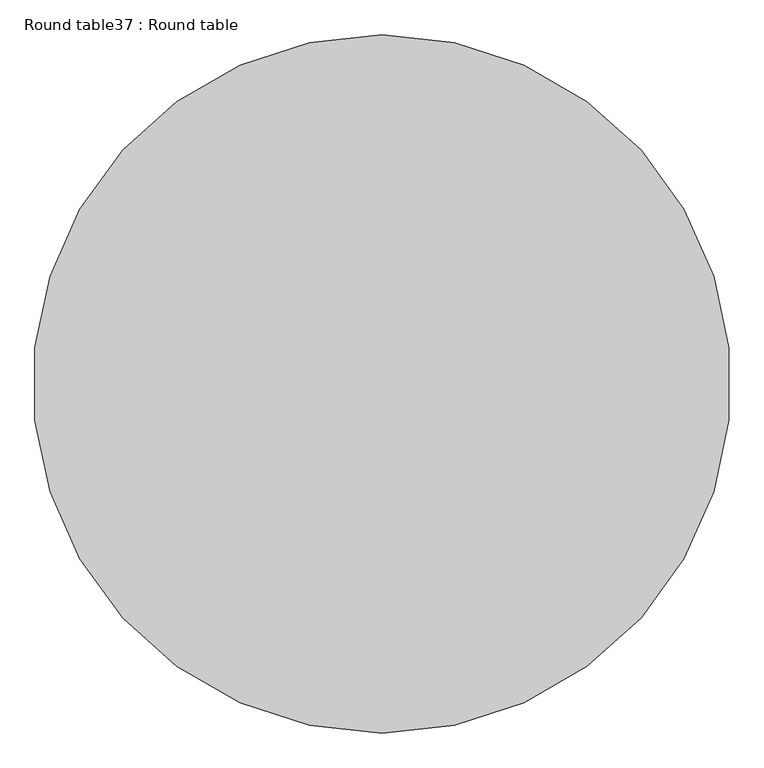
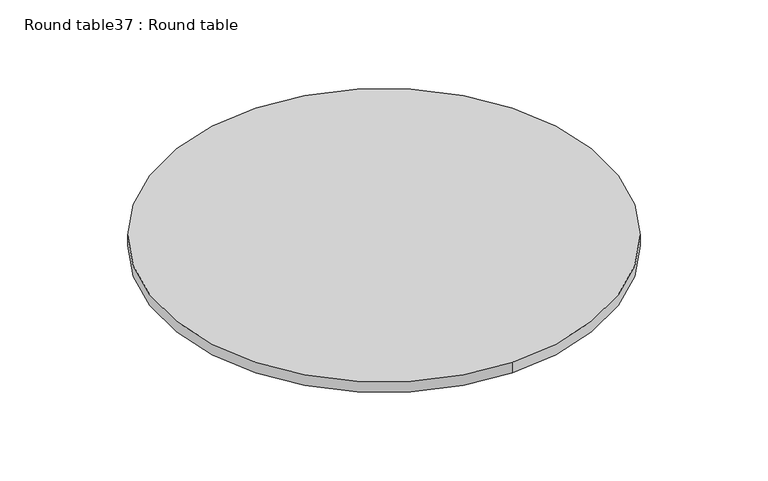
"""IFC4 building model written with IfcOpenShell, lengths in millimetres: furniture geometry, Round table37 : Round table."""

from ifc_helpers import new_model, si_unit, point, frame, frame_2d, origin, place, context, project, spatial, circle_curve, trimmed, segment, composite_curve, outline, extrude, source, transform, mapped, element, save


def round_table37_round_table_aa58ca70(model_context):
    return source(origin(), model_context, "Body", "SweptSolid", [
        extrude(outline(composite_curve([segment(trimmed(circle_curve(frame_2d((-120987.9333057, -63902.8957511)), 508.0), [point((-120987.9333057, -63394.8957511))], [point((-120987.9333057, -64410.8957511))], False, "CARTESIAN"), True, "CONTINUOUS"), segment(trimmed(circle_curve(frame_2d((-120987.9333057, -63902.8957511)), 508.0), [point((-120987.9333057, -64410.8957511))], [point((-120987.9333057, -63394.8957511))], False, "CARTESIAN"), True, "CONTINUOUS")], self_intersect=False)), frame((0.0, 0.0, 762.0), z_axis=(0.0, 0.0, 1.0), x_axis=(1.0, 0.0, 0.0)), (0.0, 0.0, 1.0), 25.4),
    ])


if __name__ == "__main__":
    model = new_model("IFC4")
    model_context = context("Model", 3, world=origin())
    ifc_project = project(units=[si_unit("LENGTHUNIT", "METRE", prefix="MILLI")], contexts=[model_context])
    site = spatial("IfcSite", under=ifc_project)
    building = spatial("IfcBuilding", under=site)
    placement = place(None, origin())
    round_table37_round_table_shape = round_table37_round_table_aa58ca70(model_context)
    element("IfcFurniture", 1, ObjectType="Round table37 : Round table", at=placement, inside=building, context=model_context, shape_type="MappedRepresentation", body=[
        mapped(round_table37_round_table_shape, transform((0.0, 0.0, 0.0), x_axis=(1.0, 0.0, 0.0), y_axis=(0.0, 1.0, 0.0), z_axis=(0.0, 0.0, 1.0))),
    ])
    save(model, "model.ifc")
